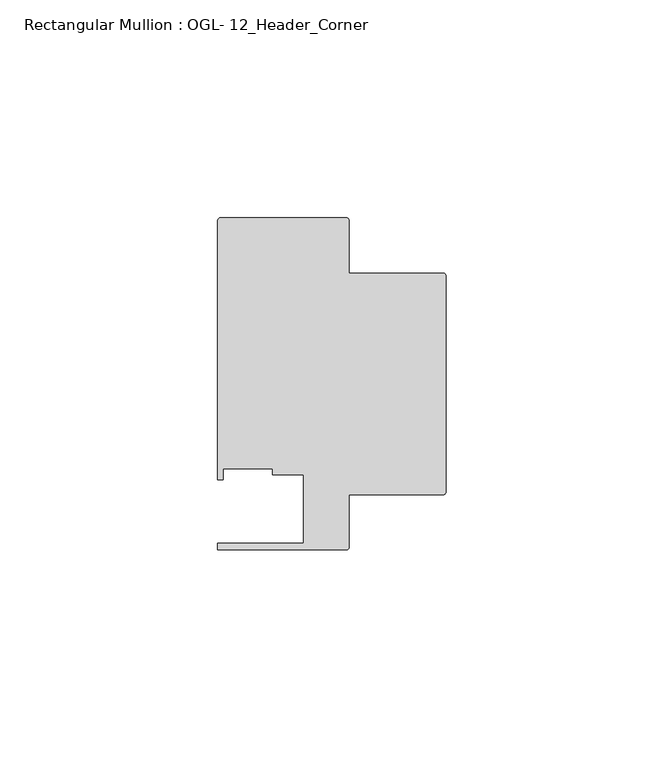
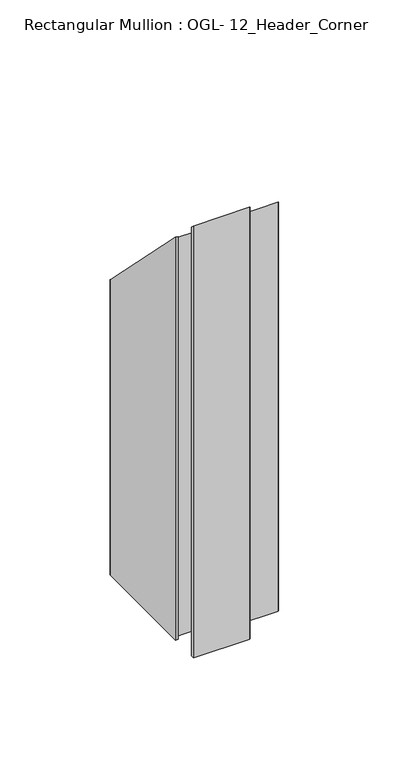
"""IFC4 building model written with IfcOpenShell, lengths in millimetres: member geometry, Rectangular Mullion : OGL- 12_Header_Corner."""

from ifc_helpers import new_model, si_unit, frame, origin, place, context, project, spatial, circle_curve, ellipse_curve, source, transform, mapped, element, save
from ifc_brep_helpers import plane_surface, cylinder_surface, advanced_brep


def rectangular_mullion_ogl_12_header_corner_d42d47e7(model_context):
    return source(origin(), model_context, "Body", "AdvancedBrep", [
        advanced_brep(
        [(-0.5953125, 55.5625, -232.1154923), (0.0, 54.9671875, -232.1154923), (0.0, 5.3578125, -232.1154923), (-0.5953125, 4.7625, -232.1154923), (-22.2332898, 4.7625, -232.1154923), (-22.2332898, -7.294459, -232.1154923), (-22.8763468, -7.937516, -232.1154923), (-52.3830881, -7.937516, -232.1154923), (-52.3830881, -6.350016, -232.1154923), (-32.730302, -6.350016, -232.1154923), (-32.730302, 9.3367652, -232.1154923), (-39.7567771, 9.3367652, -232.1154923), (-39.7567771, 10.6800725, -232.1154923), (-51.1362531, 10.6800725, -232.1154923), (-51.1362531, 8.1914024, -232.1154923), (-52.3921824, 8.1914024, -232.1154923), (-52.3921824, 67.6668667, -232.1154923), (-51.7968699, 68.2621792, -232.1154923), (-22.8286023, 68.2621792, -232.1154923), (-22.2332898, 67.6668667, -232.1154923), (-22.2332898, 55.5625, -232.1154923), (-22.2332898, 55.5625, -55.5625), (-0.5953125, 55.5625, -55.5625), (-22.2332898, 67.6668667, -67.6668667), (-51.7968699, 68.2621792, -68.2621792), (-22.8286023, 68.2621792, -68.2621792), (-52.3921824, 8.1914024, -8.1914024), (-52.3921824, 67.6668667, -67.6668667), (-51.1362531, 8.1914024, -8.1914024), (-51.1362531, 10.6800725, -10.6800725), (-39.7567771, 10.6800725, -10.6800725), (-39.7567771, 9.3367652, -9.3367652), (-32.730302, 9.3367652, -9.3367652), (-32.730302, -6.350016, 6.350016), (-52.3830881, -6.350016, 6.350016), (-52.3830881, -7.937516, 7.937516), (-22.8763468, -7.937516, 7.937516), (-22.2332898, 4.7625, -4.7625), (-22.2332898, -7.294459, 7.294459), (-0.5953125, 4.7625, -4.7625), (0.0, 54.9671875, -54.9671875), (0.0, 5.3578125, -5.3578125)],
        [
            (0, 1, circle_curve(frame((-0.5953125, 54.9671875, -232.1154923), z_axis=(0.0, 0.0, -1.0), x_axis=(0.0, 1.0, 0.0)), 0.5953125)),
            (1, 2),
            (2, 3, circle_curve(frame((-0.5953125, 5.3578125, -232.1154923), z_axis=(0.0, 0.0, -1.0), x_axis=(1.0, 0.0, 0.0)), 0.5953125)),
            (3, 4),
            (4, 5),
            (5, 6, circle_curve(frame((-22.8763468, -7.294459, -232.1154923), z_axis=(0.0, 0.0, -1.0), x_axis=(1.0, 0.0, 0.0)), 0.643057)),
            (6, 7),
            (7, 8),
            (8, 9),
            (9, 10),
            (10, 11),
            (11, 12),
            (12, 13),
            (13, 14),
            (14, 15),
            (15, 16),
            (16, 17, circle_curve(frame((-51.7968699, 67.6668667, -232.1154923), z_axis=(0.0, 0.0, -1.0), x_axis=(1.0, 0.0, 0.0)), 0.5953125)),
            (17, 18),
            (18, 19, circle_curve(frame((-22.8286023, 67.6668667, -232.1154923), z_axis=(0.0, 0.0, -1.0), x_axis=(1.0, 0.0, 0.0)), 0.5953125)),
            (19, 20),
            (20, 0),
            (21, 22),
            (22, 0),
            (20, 21),
            (23, 21),
            (19, 23),
            (24, 25),
            (25, 18),
            (17, 24),
            (26, 27),
            (27, 16),
            (15, 26),
            (28, 26),
            (14, 28),
            (29, 28),
            (13, 29),
            (30, 29),
            (12, 30),
            (31, 30),
            (11, 31),
            (32, 31),
            (10, 32),
            (33, 32),
            (9, 33),
            (34, 33),
            (8, 34),
            (35, 34),
            (7, 35),
            (36, 35),
            (6, 36),
            (37, 38),
            (38, 5),
            (4, 37),
            (39, 37),
            (3, 39),
            (40, 41),
            (41, 2),
            (1, 40),
            (22, 40, ellipse_curve(frame((-0.5953125, 54.9671875, -54.9671875), z_axis=(0.0, -0.7071067811865455, -0.7071067811865497), x_axis=(0.0, -0.7071067811865497, 0.7071067811865454)), 0.841899, 0.5953125)),
            (23, 25, ellipse_curve(frame((-22.8286023, 67.6668667, -67.6668667), z_axis=(0.0, 0.7071067811865455, 0.7071067811865497), x_axis=(0.0, -0.7071067811865497, 0.7071067811865454)), 0.841899, 0.5953125)),
            (24, 27, ellipse_curve(frame((-51.7968699, 67.6668667, -67.6668667), z_axis=(0.0, 0.7071067811865455, 0.7071067811865497), x_axis=(0.0, -0.7071067811865497, 0.7071067811865454)), 0.841899, 0.5953125)),
            (36, 38, ellipse_curve(frame((-22.8763468, -7.294459, 7.294459), z_axis=(0.0, 0.7071067811865455, 0.7071067811865497), x_axis=(0.0, -0.7071067811865497, 0.7071067811865454)), 0.9094199, 0.643057)),
            (39, 41, ellipse_curve(frame((-0.5953125, 5.3578125, -5.3578125), z_axis=(0.0, 0.7071067811865455, 0.7071067811865497), x_axis=(0.0, -0.7071067811865497, 0.7071067811865454)), 0.841899, 0.5953125)),
        ],
        [
            plane_surface(frame((0.0, -85.8058936, -232.1154923), z_axis=(0.0, 0.0, -1.0), x_axis=(-1.0, 0.0, 0.0))),
            plane_surface(frame((-0.5953125, 55.5625, 0.0), z_axis=(0.0, 1.0, 0.0), x_axis=(0.0, 0.0, -1.0))),
            plane_surface(frame((-22.2332898, 55.5625, 0.0), z_axis=(1.0, 0.0, 0.0), x_axis=(0.0, 0.0, -1.0))),
            plane_surface(frame((-22.8286023, 68.2621792, 0.0), z_axis=(0.0, 1.0, 0.0), x_axis=(0.0, 0.0, -1.0))),
            plane_surface(frame((-52.3921824, 67.6668667, 0.0), z_axis=(-1.0, 0.0, 0.0), x_axis=(0.0, 0.0, -1.0))),
            plane_surface(frame((-52.3921824, 8.1914024, 0.0), z_axis=(0.0, -1.0, 0.0), x_axis=(0.0, 0.0, -1.0))),
            plane_surface(frame((-51.1362531, 8.1914024, 0.0), z_axis=(1.0, 0.0, 0.0), x_axis=(0.0, 0.0, -1.0))),
            plane_surface(frame((-51.1362531, 10.6800725, 0.0), z_axis=(0.0, -1.0, 0.0), x_axis=(0.0, 0.0, -1.0))),
            plane_surface(frame((-39.7567771, 10.6800725, 0.0), z_axis=(-1.0, 0.0, 0.0), x_axis=(0.0, 0.0, -1.0))),
            plane_surface(frame((-39.7567771, 9.3367652, 0.0), z_axis=(0.0, -1.0, 0.0), x_axis=(0.0, 0.0, -1.0))),
            plane_surface(frame((-32.730302, 9.3367652, 0.0), z_axis=(-1.0, 0.0, 0.0), x_axis=(0.0, 0.0, -1.0))),
            plane_surface(frame((-32.730302, -6.350016, 0.0), z_axis=(0.0, 1.0, 0.0), x_axis=(0.0, 0.0, -1.0))),
            plane_surface(frame((-52.3830881, -6.350016, 0.0), z_axis=(-1.0, 0.0, 0.0), x_axis=(0.0, 0.0, -1.0))),
            plane_surface(frame((-52.3830881, -7.937516, 0.0), z_axis=(0.0, -1.0, 0.0), x_axis=(0.0, 0.0, -1.0))),
            plane_surface(frame((-22.2332898, -7.294459, 0.0), z_axis=(1.0, 0.0, 0.0), x_axis=(0.0, 0.0, -1.0))),
            plane_surface(frame((-22.2332898, 4.7625, 0.0), z_axis=(0.0, -1.0, 0.0), x_axis=(0.0, 0.0, -1.0))),
            plane_surface(frame((0.0, 5.3578125, 0.0), z_axis=(1.0, 0.0, 0.0), x_axis=(0.0, 0.0, -1.0))),
            cylinder_surface(frame((-0.5953125, 54.9671875, 0.0), z_axis=(0.0, 0.0, 1.0), x_axis=(0.0, 1.0, 0.0)), 0.5953125),
            plane_surface(frame((-304.8, 0.0, 0.0), z_axis=(0.0, 0.7071067811865455, 0.7071067811865497), x_axis=(0.0, 0.7071067811865497, -0.7071067811865455))),
            cylinder_surface(frame((-22.8286023, 67.6668667, 0.0), z_axis=(0.0, 0.0, 1.0), x_axis=(1.0, 0.0, 0.0)), 0.5953125),
            cylinder_surface(frame((-22.8763468, -7.294459, 0.0), z_axis=(0.0, 0.0, 1.0), x_axis=(1.0, 0.0, 0.0)), 0.643057),
            cylinder_surface(frame((-51.7968699, 67.6668667, 0.0), z_axis=(0.0, 0.0, 1.0), x_axis=(1.0, 0.0, 0.0)), 0.5953125),
            cylinder_surface(frame((-0.5953125, 5.3578125, 0.0), z_axis=(0.0, 0.0, 1.0), x_axis=(1.0, 0.0, 0.0)), 0.5953125),
        ],
        [
            (0, [[1, 2, 3, 4, 5, 6, 7, 8, 9, 10, 11, 12, 13, 14, 15, 16, 17, 18, 19, 20, 21]]),
            (1, [[22, 23, -21, 24]]),
            (2, [[25, -24, -20, 26]]),
            (3, [[27, 28, -18, 29]]),
            (4, [[30, 31, -16, 32]]),
            (5, [[33, -32, -15, 34]]),
            (6, [[35, -34, -14, 36]]),
            (7, [[37, -36, -13, 38]]),
            (8, [[39, -38, -12, 40]]),
            (9, [[41, -40, -11, 42]]),
            (10, [[43, -42, -10, 44]]),
            (11, [[45, -44, -9, 46]]),
            (12, [[47, -46, -8, 48]]),
            (13, [[49, -48, -7, 50]]),
            (14, [[51, 52, -5, 53]]),
            (15, [[54, -53, -4, 55]]),
            (16, [[56, 57, -2, 58]]),
            (17, [[59, -58, -1, -23]]),
            (18, [[-22, -25, 60, -27, 61, -30, -33, -35, -37, -39, -41, -43, -45, -47, -49, 62, -51, -54, 63, -56, -59]]),
            (19, [[-60, -26, -19, -28]]),
            (20, [[-62, -50, -6, -52]]),
            (21, [[-61, -29, -17, -31]]),
            (22, [[-63, -55, -3, -57]]),
        ],
    ),
    ])


if __name__ == "__main__":
    model = new_model("IFC4")
    model_context = context("Model", 3, world=origin())
    ifc_project = project(units=[si_unit("LENGTHUNIT", "METRE", prefix="MILLI")], contexts=[model_context])
    site = spatial("IfcSite", under=ifc_project)
    building = spatial("IfcBuilding", under=site)
    placement = place(None, origin())
    rectangular_mullion_ogl_12_header_corner_shape = rectangular_mullion_ogl_12_header_corner_d42d47e7(model_context)
    element("IfcMember", 1, ObjectType="Rectangular Mullion : OGL- 12_Header_Corner", at=placement, inside=building, context=model_context, shape_type="MappedRepresentation", body=[
        mapped(rectangular_mullion_ogl_12_header_corner_shape, transform((0.0, 0.0, 0.0), x_axis=(1.0, 0.0, 0.0), y_axis=(0.0, 1.0, 0.0), z_axis=(0.0, 0.0, 1.0))),
    ])
    save(model, "model.ifc")
